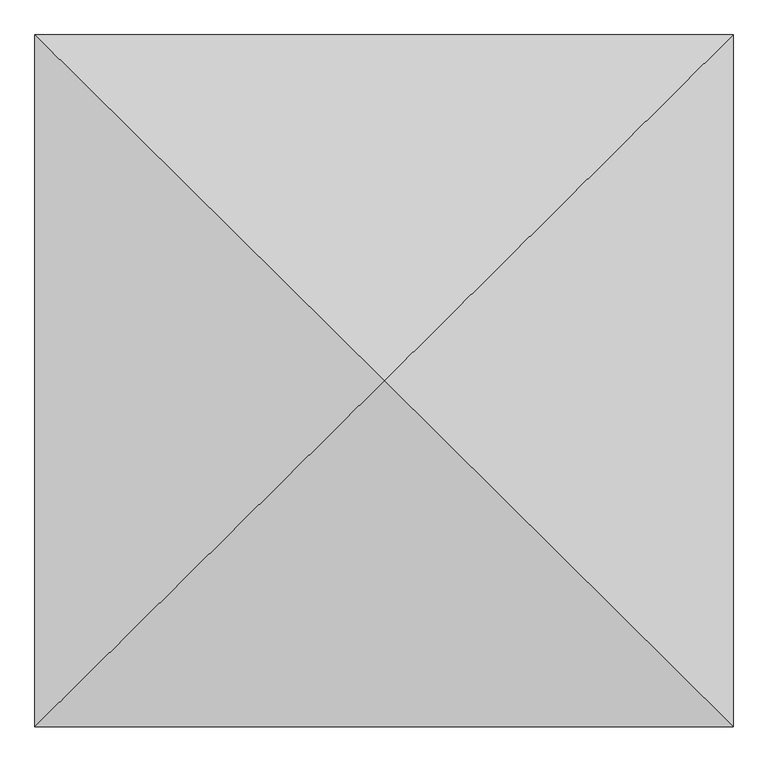
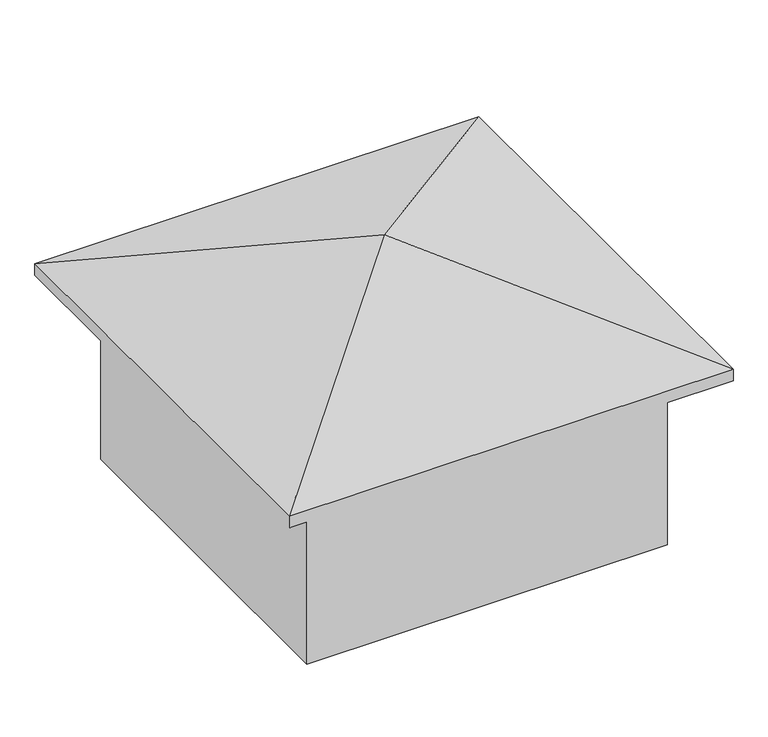
"""IFC4 building model written with IfcOpenShell, lengths in millimetres: geographic element geometry."""

from ifc_helpers import new_model, si_unit, origin, place, context, project, spatial, triangles, source, transform, mapped, element, save


def geographic_element_8c8cc4bc(model_context):
    return source(origin(), model_context, "Body", "Tessellation", [
        triangles([(3213.9125473, 3185.7200821, 4093.6544884), (0.0, 6371.4401642, 2839.5929535), (0.0, 0.0, 2839.5929535), (6427.8250946, 6371.4401642, 2839.5929535), (6427.8250946, 0.0, 2839.5929535), (6427.8250946, 6371.4401642, 2662.8089767), (0.0, 0.0, 2662.8089767), (0.0, 6371.4401642, 2662.8089767), (6427.8250946, 0.0, 2662.8089767), (5823.2236267, 5772.1424423, 0.0), (604.6012862, 599.2977582, 0.0), (604.6012862, 5772.1424423, 0.0), (5823.2236267, 599.2977582, 0.0), (5823.2236267, 599.2977582, 2839.5929535), (604.6012862, 599.2977582, 2839.5929535), (5823.2236267, 5772.1424423, 2839.5929535), (604.6012862, 5772.1424423, 2839.5929535)], [[1, 2, 3], [4, 2, 1], [5, 1, 3], [4, 1, 5], [6, 7, 8], [7, 6, 9], [2, 7, 3], [7, 2, 8], [2, 6, 8], [6, 2, 4], [6, 5, 9], [5, 6, 4], [5, 7, 9], [7, 5, 3], [10, 11, 12], [11, 10, 13], [14, 11, 13], [11, 14, 15], [10, 14, 13], [14, 10, 16], [17, 10, 12], [10, 17, 16], [17, 11, 15], [11, 17, 12], [14, 17, 15], [17, 14, 16]]),
    ])


if __name__ == "__main__":
    model = new_model("IFC4")
    model_context = context("Model", 3, world=origin())
    ifc_project = project(units=[si_unit("LENGTHUNIT", "METRE", prefix="MILLI")], contexts=[model_context])
    site = spatial("IfcSite", under=ifc_project)
    building = spatial("IfcBuilding", under=site)
    placement = place(None, origin())
    geographic_element_shape = geographic_element_8c8cc4bc(model_context)
    element("IfcGeographicElement", 1, at=placement, inside=building, context=model_context, shape_type="MappedRepresentation", body=[
        mapped(geographic_element_shape, transform((0.0, 0.0, 0.0), x_axis=(1.0, 0.0, 0.0), y_axis=(0.0, 1.0, 0.0), z_axis=(0.0, 0.0, 1.0))),
    ])
    save(model, "model.ifc")
